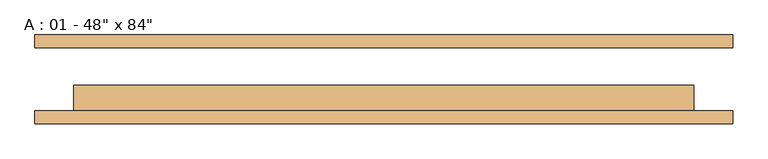
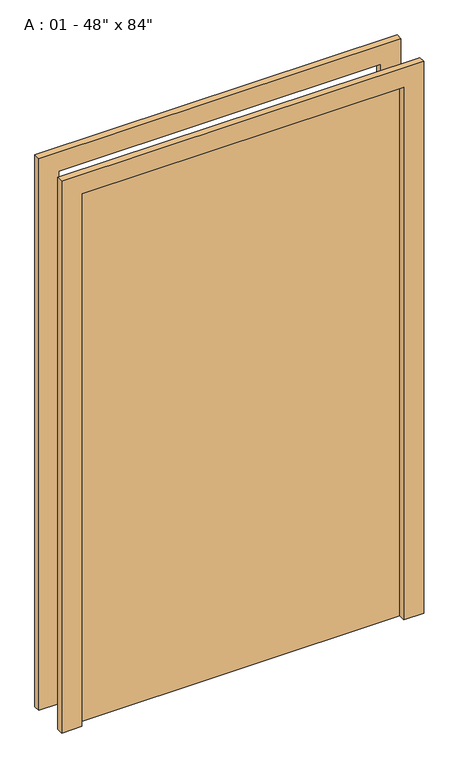
"""IFC4 building model written with IfcOpenShell, lengths in millimetres: door geometry."""

import ifcopenshell
import ifcopenshell.guid

model = None  # the IFC model being written
_history = None  # IfcOwnerHistory: only IFC2X3 demands one
_inside = {}  # id of a spatial element -> (the spatial element, [elements in it])
_under = {}  # id of a project, library or spatial element -> (it, [spatial elements below it])
_declared = {}  # id of a project -> (the project, [libraries it declares])
_typed = {}  # id of a type object -> (the type object, [elements of that type])
_made_of = {}  # id of a material, layer set ... -> (it, [elements and type objects made of it])


def new_model(schema):
    """Start an empty IFC model of exactly this schema.

    Asked for "IFC4X3", IfcOpenShell would pick the latest addendum, in which some entities
    have other attributes; the version numbers below select the first issue.
    IFC2X3 requires an IfcOwnerHistory on every rooted entity: one is made here for all.
    """
    global model, _history
    if schema == "IFC4X3":
        model = ifcopenshell.file(schema_version=(4, 3, 0, 0))
    else:
        model = ifcopenshell.file(schema=schema)
    _inside.clear()
    _under.clear()
    _declared.clear()
    _typed.clear()
    _made_of.clear()
    _history = None
    if model.schema == "IFC2X3":
        org = make("IfcOrganization", Name="unknown")
        user = make(
            "IfcPersonAndOrganization",
            ThePerson=make("IfcPerson", FamilyName="unknown"),
            TheOrganization=org,
        )
        app = make(
            "IfcApplication",
            ApplicationDeveloper=org,
            Version="unknown",
            ApplicationFullName="unknown",
            ApplicationIdentifier="unknown",
        )
        _history = make(
            "IfcOwnerHistory",
            OwningUser=user,
            OwningApplication=app,
            ChangeAction="ADDED",
            CreationDate=0,
        )
    return model


def make(cls, **values):
    """One entity of the class cls with the attributes given. An attribute that is None is left unset."""
    return model.create_entity(
        cls, **{name: value for name, value in values.items() if value is not None}
    )


def rooted(cls, **values):
    """An entity with a GlobalId (a new one), such as an element, a storey or a relation."""
    return make(cls, GlobalId=ifcopenshell.guid.new(), OwnerHistory=_history, **values)


def si_unit(unit_type, name, prefix=None):
    """IfcSIUnit, for example si_unit("LENGTHUNIT", "METRE", prefix="MILLI")."""
    return make("IfcSIUnit", UnitType=unit_type, Prefix=prefix, Name=name)


def assignment(units):
    """IfcUnitAssignment: the units of a project."""
    return None if units is None else make("IfcUnitAssignment", Units=units)


def point(xyz):
    """IfcCartesianPoint."""
    return None if xyz is None else make("IfcCartesianPoint", Coordinates=xyz)


def direction(xyz):
    """IfcDirection."""
    return None if xyz is None else make("IfcDirection", DirectionRatios=xyz)


def frame(location, z_axis=None, x_axis=None):
    """IfcAxis2Placement3D, a coordinate frame: its origin and axes. An axis left out is left unset."""
    return make(
        "IfcAxis2Placement3D",
        Location=point(location),
        Axis=direction(z_axis),
        RefDirection=direction(x_axis),
    )


def origin():
    """The frame at (0, 0, 0) with its axes left unset."""
    return frame((0.0, 0.0, 0.0))


def origin_with_axes():
    """The frame at (0, 0, 0) with the z axis (0, 0, 1) and the x axis (1, 0, 0) written out."""
    return frame((0.0, 0.0, 0.0), z_axis=(0.0, 0.0, 1.0), x_axis=(1.0, 0.0, 0.0))


def place(relative_to, where):
    """IfcLocalPlacement: puts the frame where relative to a parent placement (None: the world)."""
    return make(
        "IfcLocalPlacement", PlacementRelTo=relative_to, RelativePlacement=where
    )


def context(
    kind, dimensions, precision=None, world=None, true_north=None, identifier=None
):
    """IfcGeometricRepresentationContext, for example the 3D "Model" context."""
    return make(
        "IfcGeometricRepresentationContext",
        ContextIdentifier=identifier,
        ContextType=kind,
        CoordinateSpaceDimension=dimensions,
        Precision=precision,
        WorldCoordinateSystem=world,
        TrueNorth=true_north,
    )


def project(units=None, contexts=None):
    """IfcProject with its units and contexts."""
    return rooted(
        "IfcProject",
        Name="project",
        RepresentationContexts=contexts,
        UnitsInContext=assignment(units),
    )


def spatial(cls, under=None, at=None, **own):
    """A site, building, storey or space (cls), placed at a placement, below another one or the project."""
    s = rooted(cls, ObjectPlacement=at, **own)
    if under is not None:
        _under.setdefault(under.id(), (under, []))[1].append(s)
    return s


def polyline(points):
    """IfcPolyline through the points."""
    return make("IfcPolyline", Points=[point(p) for p in points])


def outline(outer, holes=None, kind="AREA"):
    """IfcArbitraryClosedProfileDef: a profile drawn as a closed curve; with holes, ...WithVoids."""
    if holes is None:
        return make("IfcArbitraryClosedProfileDef", ProfileType=kind, OuterCurve=outer)
    return make(
        "IfcArbitraryProfileDefWithVoids",
        ProfileType=kind,
        OuterCurve=outer,
        InnerCurves=holes,
    )


def extrude(swept, where, along, depth):
    """IfcExtrudedAreaSolid: the profile swept, set in the frame where, extruded along a direction by depth."""
    return make(
        "IfcExtrudedAreaSolid",
        SweptArea=swept,
        Position=where,
        ExtrudedDirection=direction(along),
        Depth=depth,
    )


def shape(context_of_items, identifier, shape_type, items):
    """IfcShapeRepresentation: the items that make up one representation, for example the "Body"."""
    return make(
        "IfcShapeRepresentation",
        ContextOfItems=context_of_items,
        RepresentationIdentifier=identifier,
        RepresentationType=shape_type,
        Items=items,
    )


def source(mapping_origin, context_of_items, identifier, shape_type, items):
    """IfcRepresentationMap: a shape defined once, which mapped items show again and again."""
    return make(
        "IfcRepresentationMap",
        MappingOrigin=mapping_origin,
        MappedRepresentation=shape(context_of_items, identifier, shape_type, items),
    )


def transform(
    local_origin,
    x_axis=None,
    y_axis=None,
    z_axis=None,
    scale=None,
    scale2=None,
    scale3=None,
    uniform=True,
):
    """IfcCartesianTransformationOperator3D, or its non-uniform kind. x_axis, y_axis, z_axis: its Axis1, 2, 3."""
    if uniform:
        return make(
            "IfcCartesianTransformationOperator3D",
            Axis1=direction(x_axis),
            Axis2=direction(y_axis),
            LocalOrigin=point(local_origin),
            Scale=scale,
            Axis3=direction(z_axis),
        )
    return make(
        "IfcCartesianTransformationOperator3DnonUniform",
        Axis1=direction(x_axis),
        Axis2=direction(y_axis),
        LocalOrigin=point(local_origin),
        Scale=scale,
        Axis3=direction(z_axis),
        Scale2=scale2,
        Scale3=scale3,
    )


def mapped(mapping_source, mapping_target):
    """IfcMappedItem: shows the shape of a source again, moved by a transform."""
    return make(
        "IfcMappedItem", MappingSource=mapping_source, MappingTarget=mapping_target
    )


def made_of(thing, what):
    """Note that an element or type object is made of a material, layer set ...; save() writes the relation."""
    if what is not None:
        _made_of.setdefault(what.id(), (what, []))[1].append(thing)
    return thing


def element(
    cls,
    number,
    at=None,
    inside=None,
    cuts=None,
    type_object=None,
    material=None,
    context=None,
    identifier="Body",
    shape_type=None,
    held_by="IfcProductDefinitionShape",
    body=None,
    shapes=None,
    **own,
):
    """One element of the class cls, such as IfcWall. Its Tag is "e" and its number.

    at: its placement. inside: the storey or other place that contains it. cuts: it is an
    opening in that element (IfcRelVoidsElement). A single representation is given by context,
    identifier, shape_type and body (its items); several are given by shapes. held_by: the class
    of the entity that holds the representations. save() writes the other relations.
    """
    e = rooted(cls, Tag="e%d" % number, ObjectPlacement=at, **own)
    if body is not None:
        shapes = [shape(context, identifier, shape_type, body)]
    if shapes is not None:
        e.Representation = make(held_by, Representations=shapes)
    if inside is not None:
        _inside.setdefault(inside.id(), (inside, []))[1].append(e)
    if cuts is not None:
        rooted(
            "IfcRelVoidsElement", RelatingBuildingElement=cuts, RelatedOpeningElement=e
        )
    if type_object is not None:
        _typed.setdefault(type_object.id(), (type_object, []))[1].append(e)
    return made_of(e, material)


def aggregate(whole, parts):
    """IfcRelAggregates: a whole, such as a stair, and the parts it consists of."""
    return rooted("IfcRelAggregates", RelatingObject=whole, RelatedObjects=parts)


def save(model, path):
    """Write the relations noted so far, then the file.

    IfcRelAggregates (storeys below a building ...), IfcRelContainedInSpatialStructure (elements
    in a storey), IfcRelDefinesByType, IfcRelAssociatesMaterial and IfcRelDeclares: one each for
    every whole, place, type object, material and project.
    """
    for whole, parts in _under.values():
        aggregate(whole, parts)
    for where, things in _inside.values():
        rooted(
            "IfcRelContainedInSpatialStructure",
            RelatedElements=things,
            RelatingStructure=where,
        )
    for kind, things in _typed.values():
        rooted("IfcRelDefinesByType", RelatedObjects=things, RelatingType=kind)
    for what, things in _made_of.values():
        rooted("IfcRelAssociatesMaterial", RelatedObjects=things, RelatingMaterial=what)
    for by, libraries in _declared.values():
        rooted("IfcRelDeclares", RelatingContext=by, RelatedDefinitions=libraries)
    model.write(path)


def door_1f4748c7(model_context):
    return source(origin(), model_context, "Body", "SweptSolid", [
        extrude(outline(polyline([(2209.8, -685.8), (0.0, -685.8), (0.0, -609.6), (2133.6, -609.6), (2133.6, 609.6), (0.0, 609.6), (0.0, 685.8), (2209.8, 685.8), (2209.8, -685.8)])), frame((0.0, -87.3125, 0.0), z_axis=(0.0, 1.0, 0.0), x_axis=(0.0, 0.0, 1.0)), (0.0, 0.0, 1.0), 25.4),
        extrude(outline(polyline([(2209.8, 685.8), (2209.8, -685.8), (0.0, -685.8), (0.0, -609.6), (2133.6, -609.6), (2133.6, 609.6), (0.0, 609.6), (0.0, 685.8), (2209.8, 685.8)])), frame((0.0, 61.9125, 0.0), z_axis=(0.0, 1.0, 0.0), x_axis=(0.0, 0.0, 1.0)), (0.0, 0.0, 1.0), 25.4),
        extrude(outline(polyline([(609.6, -11.1125), (609.6, -61.9125), (-609.6, -61.9125), (-609.6, -11.1125), (609.6, -11.1125)])), origin_with_axes(), (0.0, 0.0, 1.0), 2133.6),
    ])


if __name__ == "__main__":
    model = new_model("IFC4")
    model_context = context("Model", 3, world=origin())
    ifc_project = project(units=[si_unit("LENGTHUNIT", "METRE", prefix="MILLI")], contexts=[model_context])
    site = spatial("IfcSite", under=ifc_project)
    building = spatial("IfcBuilding", under=site)
    placement = place(None, origin())
    door_shape = door_1f4748c7(model_context)
    element("IfcDoor", 1, ObjectType="A : 01 - 48\" x 84\"", at=placement, inside=building, context=model_context, shape_type="MappedRepresentation", body=[
        mapped(door_shape, transform((0.0, 0.0, 0.0), x_axis=(1.0, 0.0, 0.0), y_axis=(0.0, 1.0, 0.0), z_axis=(0.0, 0.0, 1.0))),
    ])
    save(model, "model.ifc")
